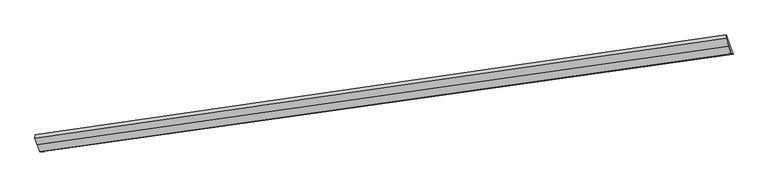
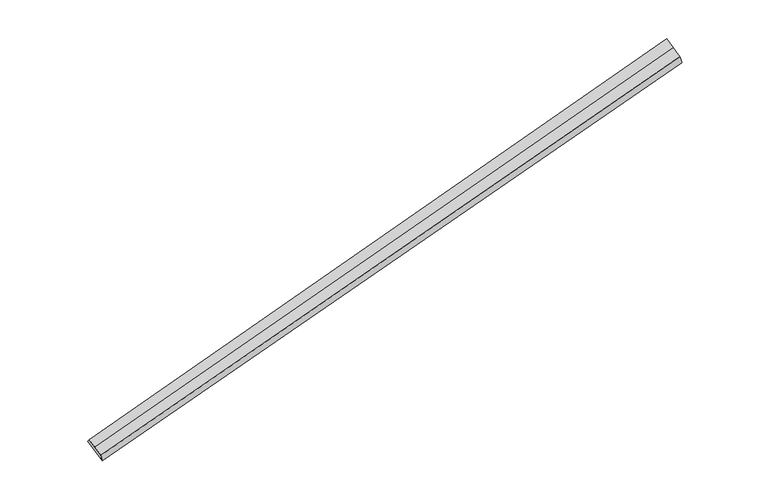
"""IFC4 building model written with IfcOpenShell, lengths in millimetres: proxy geometry."""

from ifc_helpers import new_model, si_unit, frame, origin, place, context, project, spatial, source, transform, mapped, element, save
from ifc_brep_helpers import plane_surface, spline_surface, advanced_brep


def generic_models_b6b6f17a(model_context):
    return source(origin(), model_context, "Body", "AdvancedBrep", [
        advanced_brep(
        [(-9678.9891207, -2639.8453779, 121.8137661), (-9737.5440973, -2469.4350222, 266.0023239), (4036.2786991, -507.5712343, 3476.8869603), (4102.4455169, -700.1340467, 3313.9546426), (-9710.4132216, -2643.2825313, 259.4926804), (4067.2154954, -692.4949717, 3461.0054369), (-9757.365746, -2506.6383578, 375.1108084), (4014.5540901, -539.2364557, 3590.6813847), (-9804.3182703, -2369.9941844, 490.7289363), (3961.8926848, -385.9779397, 3720.3573325), (-9796.0990739, -2299.0246665, 410.1908817), (3970.1118812, -315.0084219, 3639.8192779)],
        [
            (0, 1),
            (1, 2),
            (2, 3),
            (3, 0),
            (4, 0),
            (3, 5),
            (5, 4),
            (6, 4),
            (5, 7),
            (7, 6),
            (8, 6),
            (7, 9),
            (9, 8),
            (10, 8),
            (9, 11),
            (11, 10),
            (1, 10),
            (11, 2),
        ],
        [
            plane_surface(frame((-9708.266609, -2554.6402001, 193.908045), z_axis=(0.08020520977406764, 0.6597662310795362, -0.7471784556932848), x_axis=(-0.2537280432787212, 0.7384152237289798, 0.6247919953226291))),
            spline_surface(1, 1, [[(-9710.4132216, -2643.2825313, 259.4926804), (4067.2154954, -692.4949717, 3461.0054369)], [(-9678.9891207, -2639.8453779, 121.8137661), (4102.4455169, -700.1340467, 3313.9546426)]], [2, 2], [2, 2], [0.0, 1.0], [0.0, 1.0]),
            plane_surface(frame((-9733.8894838, -2574.9604446, 317.3017444), z_axis=(-0.08020520977404375, -0.6597662310796059, 0.7471784556932259), x_axis=(0.2537280432787206, -0.7384152237289189, -0.6247919953227014))),
            plane_surface(frame((-9780.8420081, -2438.3162711, 432.9198723), z_axis=(-0.08020520977406384, -0.6597662310795482, 0.7471784556932747), x_axis=(0.2537280432795739, -0.738415223728846, -0.624791995322441))),
            plane_surface(frame((-9800.2086721, -2334.5094254, 450.459909), z_axis=(-0.25305265365077756, 0.7385145704625651, 0.6249484648311355), x_axis=(-0.07634424243865244, -0.6592024085548703, 0.7480800366283853))),
            plane_surface(frame((-9766.8215856, -2384.2298444, 338.0966028), z_axis=(0.08020520977404655, 0.6597662310795976, -0.747178455693233), x_axis=(-0.25372804327940435, 0.7384152237288272, 0.6247919953225322))),
            plane_surface(frame((4025.4163946, -523.403845, 3533.7841725), z_axis=(0.9642580757765338, 0.14210961234555347, 0.22363188810796425), x_axis=(0.2537280432791472, -0.7384152237288824, -0.6247919953225711))),
            plane_surface(frame((-9747.4549216, -2488.03669, 320.5565661), z_axis=(-0.9642580757765464, -0.14210961234540972, -0.22363188810800091), x_axis=(0.2537280432790643, -0.7384152237288911, -0.6247919953225947))),
        ],
        [
            (0, [[1, 2, 3, 4]]),
            (1, [[5, -4, 6, 7]]),
            (2, [[8, -7, 9, 10]]),
            (3, [[11, -10, 12, 13]]),
            (4, [[14, -13, 15, 16]]),
            (5, [[17, -16, 18, -2]]),
            (6, [[-12, -9, -6, -3, -18, -15]]),
            (7, [[-1, -5, -8, -11, -14, -17]]),
        ],
    ),
    ])


if __name__ == "__main__":
    model = new_model("IFC4")
    model_context = context("Model", 3, world=origin())
    ifc_project = project(units=[si_unit("LENGTHUNIT", "METRE", prefix="MILLI")], contexts=[model_context])
    site = spatial("IfcSite", under=ifc_project)
    building = spatial("IfcBuilding", under=site)
    placement = place(None, origin())
    generic_models_shape = generic_models_b6b6f17a(model_context)
    element("IfcBuildingElementProxy", 1, Name="Generic Models", at=placement, inside=building, context=model_context, shape_type="MappedRepresentation", body=[
        mapped(generic_models_shape, transform((0.0, 0.0, 0.0), x_axis=(1.0, 0.0, 0.0), y_axis=(0.0, 1.0, 0.0), z_axis=(0.0, 0.0, 1.0))),
    ])
    save(model, "model.ifc")
